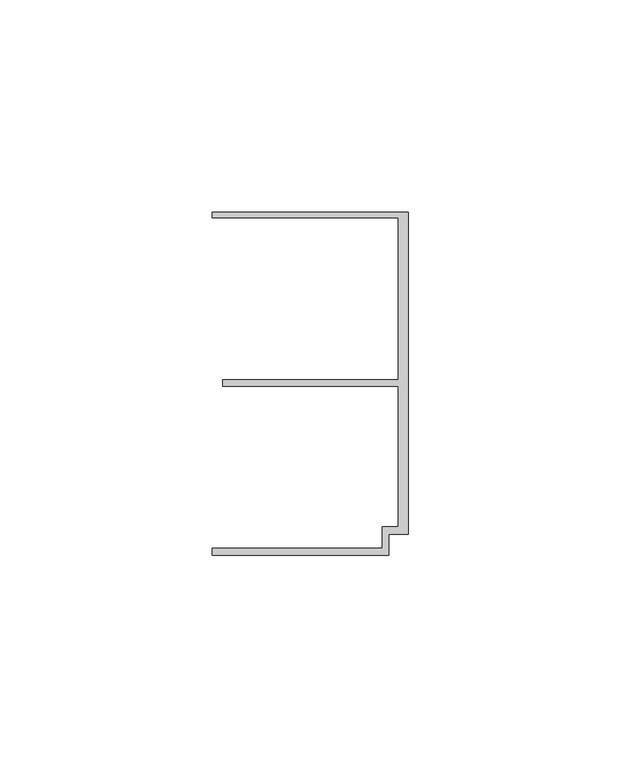
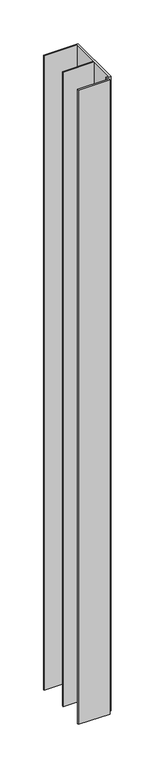
"""IFC4 building model written with IfcOpenShell, lengths in millimetres: member geometry."""

import ifcopenshell
import ifcopenshell.guid

model = None  # the IFC model being written
_history = None  # IfcOwnerHistory: only IFC2X3 demands one
_inside = {}  # id of a spatial element -> (the spatial element, [elements in it])
_under = {}  # id of a project, library or spatial element -> (it, [spatial elements below it])
_declared = {}  # id of a project -> (the project, [libraries it declares])
_typed = {}  # id of a type object -> (the type object, [elements of that type])
_made_of = {}  # id of a material, layer set ... -> (it, [elements and type objects made of it])


def new_model(schema):
    """Start an empty IFC model of exactly this schema.

    Asked for "IFC4X3", IfcOpenShell would pick the latest addendum, in which some entities
    have other attributes; the version numbers below select the first issue.
    IFC2X3 requires an IfcOwnerHistory on every rooted entity: one is made here for all.
    """
    global model, _history
    if schema == "IFC4X3":
        model = ifcopenshell.file(schema_version=(4, 3, 0, 0))
    else:
        model = ifcopenshell.file(schema=schema)
    _inside.clear()
    _under.clear()
    _declared.clear()
    _typed.clear()
    _made_of.clear()
    _history = None
    if model.schema == "IFC2X3":
        org = make("IfcOrganization", Name="unknown")
        user = make(
            "IfcPersonAndOrganization",
            ThePerson=make("IfcPerson", FamilyName="unknown"),
            TheOrganization=org,
        )
        app = make(
            "IfcApplication",
            ApplicationDeveloper=org,
            Version="unknown",
            ApplicationFullName="unknown",
            ApplicationIdentifier="unknown",
        )
        _history = make(
            "IfcOwnerHistory",
            OwningUser=user,
            OwningApplication=app,
            ChangeAction="ADDED",
            CreationDate=0,
        )
    return model


def make(cls, **values):
    """One entity of the class cls with the attributes given. An attribute that is None is left unset."""
    return model.create_entity(
        cls, **{name: value for name, value in values.items() if value is not None}
    )


def rooted(cls, **values):
    """An entity with a GlobalId (a new one), such as an element, a storey or a relation."""
    return make(cls, GlobalId=ifcopenshell.guid.new(), OwnerHistory=_history, **values)


def si_unit(unit_type, name, prefix=None):
    """IfcSIUnit, for example si_unit("LENGTHUNIT", "METRE", prefix="MILLI")."""
    return make("IfcSIUnit", UnitType=unit_type, Prefix=prefix, Name=name)


def assignment(units):
    """IfcUnitAssignment: the units of a project."""
    return None if units is None else make("IfcUnitAssignment", Units=units)


def point(xyz):
    """IfcCartesianPoint."""
    return None if xyz is None else make("IfcCartesianPoint", Coordinates=xyz)


def direction(xyz):
    """IfcDirection."""
    return None if xyz is None else make("IfcDirection", DirectionRatios=xyz)


def frame(location, z_axis=None, x_axis=None):
    """IfcAxis2Placement3D, a coordinate frame: its origin and axes. An axis left out is left unset."""
    return make(
        "IfcAxis2Placement3D",
        Location=point(location),
        Axis=direction(z_axis),
        RefDirection=direction(x_axis),
    )


def origin():
    """The frame at (0, 0, 0) with its axes left unset."""
    return frame((0.0, 0.0, 0.0))


def place(relative_to, where):
    """IfcLocalPlacement: puts the frame where relative to a parent placement (None: the world)."""
    return make(
        "IfcLocalPlacement", PlacementRelTo=relative_to, RelativePlacement=where
    )


def context(
    kind, dimensions, precision=None, world=None, true_north=None, identifier=None
):
    """IfcGeometricRepresentationContext, for example the 3D "Model" context."""
    return make(
        "IfcGeometricRepresentationContext",
        ContextIdentifier=identifier,
        ContextType=kind,
        CoordinateSpaceDimension=dimensions,
        Precision=precision,
        WorldCoordinateSystem=world,
        TrueNorth=true_north,
    )


def project(units=None, contexts=None):
    """IfcProject with its units and contexts."""
    return rooted(
        "IfcProject",
        Name="project",
        RepresentationContexts=contexts,
        UnitsInContext=assignment(units),
    )


def spatial(cls, under=None, at=None, **own):
    """A site, building, storey or space (cls), placed at a placement, below another one or the project."""
    s = rooted(cls, ObjectPlacement=at, **own)
    if under is not None:
        _under.setdefault(under.id(), (under, []))[1].append(s)
    return s


def polyline(points):
    """IfcPolyline through the points."""
    return make("IfcPolyline", Points=[point(p) for p in points])


def outline(outer, holes=None, kind="AREA"):
    """IfcArbitraryClosedProfileDef: a profile drawn as a closed curve; with holes, ...WithVoids."""
    if holes is None:
        return make("IfcArbitraryClosedProfileDef", ProfileType=kind, OuterCurve=outer)
    return make(
        "IfcArbitraryProfileDefWithVoids",
        ProfileType=kind,
        OuterCurve=outer,
        InnerCurves=holes,
    )


def extrude(swept, where, along, depth):
    """IfcExtrudedAreaSolid: the profile swept, set in the frame where, extruded along a direction by depth."""
    return make(
        "IfcExtrudedAreaSolid",
        SweptArea=swept,
        Position=where,
        ExtrudedDirection=direction(along),
        Depth=depth,
    )


def shape(context_of_items, identifier, shape_type, items):
    """IfcShapeRepresentation: the items that make up one representation, for example the "Body"."""
    return make(
        "IfcShapeRepresentation",
        ContextOfItems=context_of_items,
        RepresentationIdentifier=identifier,
        RepresentationType=shape_type,
        Items=items,
    )


def source(mapping_origin, context_of_items, identifier, shape_type, items):
    """IfcRepresentationMap: a shape defined once, which mapped items show again and again."""
    return make(
        "IfcRepresentationMap",
        MappingOrigin=mapping_origin,
        MappedRepresentation=shape(context_of_items, identifier, shape_type, items),
    )


def transform(
    local_origin,
    x_axis=None,
    y_axis=None,
    z_axis=None,
    scale=None,
    scale2=None,
    scale3=None,
    uniform=True,
):
    """IfcCartesianTransformationOperator3D, or its non-uniform kind. x_axis, y_axis, z_axis: its Axis1, 2, 3."""
    if uniform:
        return make(
            "IfcCartesianTransformationOperator3D",
            Axis1=direction(x_axis),
            Axis2=direction(y_axis),
            LocalOrigin=point(local_origin),
            Scale=scale,
            Axis3=direction(z_axis),
        )
    return make(
        "IfcCartesianTransformationOperator3DnonUniform",
        Axis1=direction(x_axis),
        Axis2=direction(y_axis),
        LocalOrigin=point(local_origin),
        Scale=scale,
        Axis3=direction(z_axis),
        Scale2=scale2,
        Scale3=scale3,
    )


def mapped(mapping_source, mapping_target):
    """IfcMappedItem: shows the shape of a source again, moved by a transform."""
    return make(
        "IfcMappedItem", MappingSource=mapping_source, MappingTarget=mapping_target
    )


def made_of(thing, what):
    """Note that an element or type object is made of a material, layer set ...; save() writes the relation."""
    if what is not None:
        _made_of.setdefault(what.id(), (what, []))[1].append(thing)
    return thing


def element(
    cls,
    number,
    at=None,
    inside=None,
    cuts=None,
    type_object=None,
    material=None,
    context=None,
    identifier="Body",
    shape_type=None,
    held_by="IfcProductDefinitionShape",
    body=None,
    shapes=None,
    **own,
):
    """One element of the class cls, such as IfcWall. Its Tag is "e" and its number.

    at: its placement. inside: the storey or other place that contains it. cuts: it is an
    opening in that element (IfcRelVoidsElement). A single representation is given by context,
    identifier, shape_type and body (its items); several are given by shapes. held_by: the class
    of the entity that holds the representations. save() writes the other relations.
    """
    e = rooted(cls, Tag="e%d" % number, ObjectPlacement=at, **own)
    if body is not None:
        shapes = [shape(context, identifier, shape_type, body)]
    if shapes is not None:
        e.Representation = make(held_by, Representations=shapes)
    if inside is not None:
        _inside.setdefault(inside.id(), (inside, []))[1].append(e)
    if cuts is not None:
        rooted(
            "IfcRelVoidsElement", RelatingBuildingElement=cuts, RelatedOpeningElement=e
        )
    if type_object is not None:
        _typed.setdefault(type_object.id(), (type_object, []))[1].append(e)
    return made_of(e, material)


def aggregate(whole, parts):
    """IfcRelAggregates: a whole, such as a stair, and the parts it consists of."""
    return rooted("IfcRelAggregates", RelatingObject=whole, RelatedObjects=parts)


def save(model, path):
    """Write the relations noted so far, then the file.

    IfcRelAggregates (storeys below a building ...), IfcRelContainedInSpatialStructure (elements
    in a storey), IfcRelDefinesByType, IfcRelAssociatesMaterial and IfcRelDeclares: one each for
    every whole, place, type object, material and project.
    """
    for whole, parts in _under.values():
        aggregate(whole, parts)
    for where, things in _inside.values():
        rooted(
            "IfcRelContainedInSpatialStructure",
            RelatedElements=things,
            RelatingStructure=where,
        )
    for kind, things in _typed.values():
        rooted("IfcRelDefinesByType", RelatedObjects=things, RelatingType=kind)
    for what, things in _made_of.values():
        rooted("IfcRelAssociatesMaterial", RelatedObjects=things, RelatingMaterial=what)
    for by, libraries in _declared.values():
        rooted("IfcRelDeclares", RelatingContext=by, RelatedDefinitions=libraries)
    model.write(path)


def member_a90cb1d0(model_context):
    return source(origin(), model_context, "Body", "SweptSolid", [
        extrude(outline(polyline([(-6.2, -33.95), (-2.4, -33.95), (-2.4, -0.75), (-43.8, -0.75), (-43.8, 0.75), (-2.4, 0.75), (-2.4, 38.95), (-46.3, 38.95), (-46.3, 40.25), (0.0, 40.25), (0.0, -35.75), (-4.6999992, -35.75), (-4.6999992, -40.65), (-46.3, -40.65), (-46.3, -38.95), (-6.2, -38.95), (-6.2, -33.95)])), frame((0.0, 0.0, -890.0), z_axis=(0.0, 0.0, 1.0), x_axis=(1.0, 0.0, 0.0)), (0.0, 0.0, 1.0), 890.0),
    ])


if __name__ == "__main__":
    model = new_model("IFC4")
    model_context = context("Model", 3, world=origin())
    ifc_project = project(units=[si_unit("LENGTHUNIT", "METRE", prefix="MILLI")], contexts=[model_context])
    site = spatial("IfcSite", under=ifc_project)
    building = spatial("IfcBuilding", under=site)
    placement = place(None, origin())
    member_shape = member_a90cb1d0(model_context)
    element("IfcMember", 1, at=placement, inside=building, context=model_context, shape_type="MappedRepresentation", body=[
        mapped(member_shape, transform((0.0, 0.0, 0.0), x_axis=(1.0, 0.0, 0.0), y_axis=(0.0, 1.0, 0.0), z_axis=(0.0, 0.0, 1.0))),
    ])
    save(model, "model.ifc")
